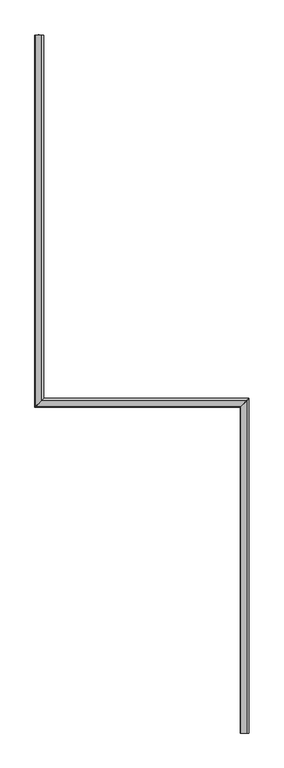
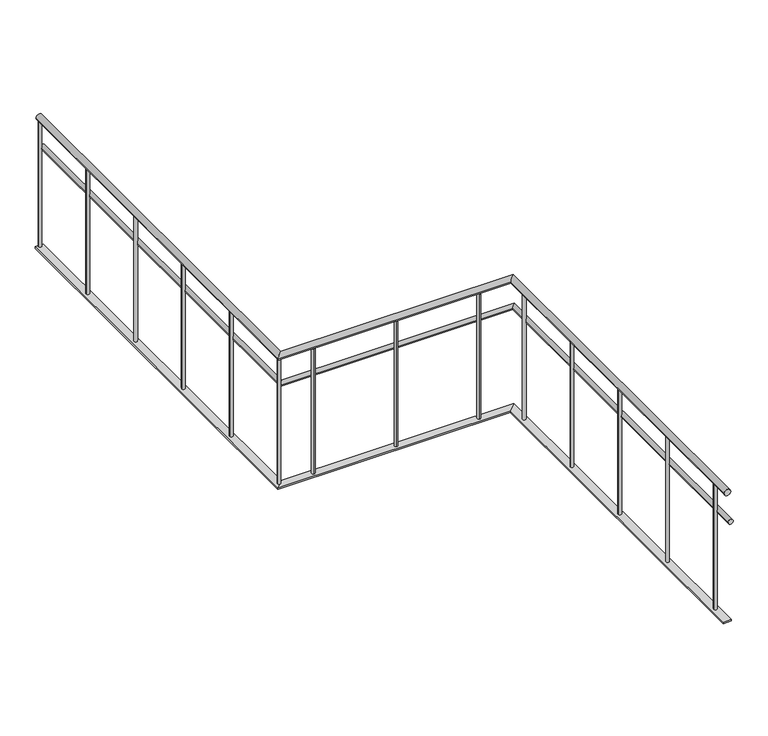
"""IFC4 building model written with IfcOpenShell, lengths in millimetres: railing geometry."""

from ifc_helpers import new_model, si_unit, point, frame, frame_2d, origin, place, context, project, spatial, circle_curve, ellipse_curve, trimmed, segment, composite_curve, outline, extrude, faceted_brep, source, transform, mapped, element, save
from ifc_brep_helpers import plane_surface, cylinder_surface, advanced_brep


def railing_81b5f3bf(model_context):
    return source(origin(), model_context, "Body", "SolidModel", [
        advanced_brep(
        [(48191.0163347, 5668.1079487, 880.0), (48231.0163347, 5668.1079487, 880.0), (48231.0163347, 3173.1270954, 880.0), (48191.0163347, 3133.1270954, 880.0), (49635.0112841, 3173.1270954, 880.0), (49595.0112841, 3133.1270954, 880.0), (49595.0112841, 903.1079487, 880.0), (49635.0112841, 903.1079487, 880.0)],
        [
            (0, 1, circle_curve(frame((48211.0163347, 5668.1079487, 880.0), z_axis=(0.0, 1.0, 0.0), x_axis=(1.0, 0.0, 0.0)), 20.0)),
            (1, 0, circle_curve(frame((48211.0163347, 5668.1079487, 880.0), z_axis=(0.0, 1.0, 0.0), x_axis=(1.0, 0.0, 0.0)), 20.0)),
            (1, 2),
            (2, 3, ellipse_curve(frame((48211.0163347, 3153.1270954, 880.0), z_axis=(-0.7071067811865462, 0.7071067811865487, 0.0), x_axis=(0.7071067811865486, 0.7071067811865464, 0.0)), 28.2842712, 20.0)),
            (3, 0),
            (3, 2, ellipse_curve(frame((48211.0163347, 3153.1270954, 880.0), z_axis=(-0.7071067811865462, 0.7071067811865487, 0.0), x_axis=(0.7071067811865486, 0.7071067811865464, 0.0)), 28.2842712, 20.0)),
            (2, 4),
            (4, 5, ellipse_curve(frame((49615.0112841, 3153.1270954, 880.0), z_axis=(-0.7071067811865488, 0.7071067811865462, 0.0), x_axis=(-0.7071067811865462, -0.7071067811865488, 0.0)), 28.2842712, 20.0)),
            (5, 3),
            (5, 4, ellipse_curve(frame((49615.0112841, 3153.1270954, 880.0), z_axis=(-0.7071067811865488, 0.7071067811865462, 0.0), x_axis=(-0.7071067811865462, -0.7071067811865488, 0.0)), 28.2842712, 20.0)),
            (6, 7, circle_curve(frame((49615.0112841, 903.1079487, 880.0), z_axis=(0.0, -1.0, 0.0), x_axis=(1.0, 0.0, 0.0)), 20.0)),
            (7, 6, circle_curve(frame((49615.0112841, 903.1079487, 880.0), z_axis=(0.0, -1.0, 0.0), x_axis=(1.0, 0.0, 0.0)), 20.0)),
            (4, 7),
            (6, 5),
        ],
        [
            plane_surface(frame((48211.0163347, 5668.1079487, 900.0), z_axis=(0.0, 1.0, 0.0), x_axis=(0.0, 0.0, -1.0))),
            cylinder_surface(frame((48211.0163347, 5668.1079487, 880.0), z_axis=(0.0, 1.0, 0.0), x_axis=(1.0, 0.0, 0.0)), 20.0),
            cylinder_surface(frame((48211.0163347, 3153.1270954, 880.0), z_axis=(-1.0, 0.0, 0.0), x_axis=(0.0, 1.0, 0.0)), 20.0),
            plane_surface(frame((49615.0112841, 903.1079487, 900.0), z_axis=(0.0, -1.0, 0.0), x_axis=(0.0, 0.0, -1.0))),
            cylinder_surface(frame((49615.0112841, 3153.1270954, 880.0), z_axis=(0.0, 1.0, 0.0), x_axis=(1.0, 0.0, 0.0)), 20.0),
        ],
        [
            (0, [[1, 2]]),
            (1, [[-2, 3, 4, 5]]),
            (1, [[-1, -5, 6, -3]]),
            (2, [[-4, 7, 8, 9]]),
            (2, [[-6, -9, 10, -7]]),
            (3, [[11, 12]]),
            (4, [[-8, 13, -11, 14]]),
            (4, [[-10, -14, -12, -13]]),
        ],
    ),
        advanced_brep(
        [(48216.0163347, 5668.1079487, 685.0), (48246.0163347, 5668.1079487, 685.0), (48246.0163347, 3188.1270954, 685.0), (48216.0163347, 3158.1270954, 685.0), (49650.0112841, 3188.1270954, 685.0), (49620.0112841, 3158.1270954, 685.0), (49620.0112841, 903.1079487, 685.0), (49650.0112841, 903.1079487, 685.0)],
        [
            (0, 1, circle_curve(frame((48231.0163347, 5668.1079487, 685.0), z_axis=(0.0, 1.0, 0.0), x_axis=(1.0, 0.0, 0.0)), 15.0)),
            (1, 0, circle_curve(frame((48231.0163347, 5668.1079487, 685.0), z_axis=(0.0, 1.0, 0.0), x_axis=(1.0, 0.0, 0.0)), 15.0)),
            (1, 2),
            (2, 3, ellipse_curve(frame((48231.0163347, 3173.1270954, 685.0), z_axis=(-0.7071067811865462, 0.7071067811865487, 0.0), x_axis=(0.7071067811865486, 0.7071067811865464, 0.0)), 21.2132034, 15.0)),
            (3, 0),
            (3, 2, ellipse_curve(frame((48231.0163347, 3173.1270954, 685.0), z_axis=(-0.7071067811865462, 0.7071067811865487, 0.0), x_axis=(0.7071067811865486, 0.7071067811865464, 0.0)), 21.2132034, 15.0)),
            (2, 4),
            (4, 5, ellipse_curve(frame((49635.0112841, 3173.1270954, 685.0), z_axis=(-0.7071067811865488, 0.7071067811865462, 0.0), x_axis=(-0.7071067811865462, -0.7071067811865488, 0.0)), 21.2132034, 15.0)),
            (5, 3),
            (5, 4, ellipse_curve(frame((49635.0112841, 3173.1270954, 685.0), z_axis=(-0.7071067811865488, 0.7071067811865462, 0.0), x_axis=(-0.7071067811865462, -0.7071067811865488, 0.0)), 21.2132034, 15.0)),
            (6, 7, circle_curve(frame((49635.0112841, 903.1079487, 685.0), z_axis=(0.0, -1.0, 0.0), x_axis=(1.0, 0.0, 0.0)), 15.0)),
            (7, 6, circle_curve(frame((49635.0112841, 903.1079487, 685.0), z_axis=(0.0, -1.0, 0.0), x_axis=(1.0, 0.0, 0.0)), 15.0)),
            (4, 7),
            (6, 5),
        ],
        [
            plane_surface(frame((48231.0163347, 5668.1079487, 700.0), z_axis=(0.0, 1.0, 0.0), x_axis=(0.0, 0.0, -1.0))),
            cylinder_surface(frame((48231.0163347, 5668.1079487, 685.0), z_axis=(0.0, 1.0, 0.0), x_axis=(1.0, 0.0, 0.0)), 15.0),
            cylinder_surface(frame((48231.0163347, 3173.1270954, 685.0), z_axis=(-1.0, 0.0, 0.0), x_axis=(0.0, 1.0, 0.0)), 15.0),
            plane_surface(frame((49635.0112841, 903.1079487, 700.0), z_axis=(0.0, -1.0, 0.0), x_axis=(0.0, 0.0, -1.0))),
            cylinder_surface(frame((49635.0112841, 3173.1270954, 685.0), z_axis=(0.0, 1.0, 0.0), x_axis=(1.0, 0.0, 0.0)), 15.0),
        ],
        [
            (0, [[1, 2]]),
            (1, [[-2, 3, 4, 5]]),
            (1, [[-1, -5, 6, -3]]),
            (2, [[-4, 7, 8, 9]]),
            (2, [[-6, -9, 10, -7]]),
            (3, [[11, 12]]),
            (4, [[-8, 13, -11, 14]]),
            (4, [[-10, -14, -12, -13]]),
        ],
    ),
        faceted_brep([(48236.0163347, 5668.1079487, 60.0), (48236.0163347, 5668.1079487, 50.0), (48186.0163347, 5668.1079487, 50.0), (48186.0163347, 5668.1079487, 60.0), (48186.0163347, 3128.1270954, 60.0), (48236.0163347, 3178.1270954, 60.0), (48186.0163347, 3128.1270954, 50.0), (48236.0163347, 3178.1270954, 50.0), (49590.0112841, 3128.1270954, 60.0), (49640.0112841, 3178.1270954, 60.0), (49590.0112841, 3128.1270954, 50.0), (49640.0112841, 3178.1270954, 50.0), (49640.0112841, 903.1079487, 60.0), (49590.0112841, 903.1079487, 60.0), (49590.0112841, 903.1079487, 50.0), (49640.0112841, 903.1079487, 50.0)], [[[0, 1, 2, 3]], [[0, 3, 4, 5]], [[3, 2, 6, 4]], [[2, 1, 7, 6]], [[1, 0, 5, 7]], [[5, 4, 8, 9]], [[4, 6, 10, 8]], [[6, 7, 11, 10]], [[7, 5, 9, 11]], [[12, 13, 14, 15]], [[9, 8, 13, 12]], [[8, 10, 14, 13]], [[10, 11, 15, 14]], [[11, 9, 12, 15]]]),
        extrude(outline(composite_curve([segment(trimmed(circle_curve(frame_2d((49615.0112841, 1028.117522)), 10.0), [point((49605.0112841, 1028.117522))], [point((49625.0112841, 1028.117522))], False, "CARTESIAN"), True, "CONTINUOUS"), segment(trimmed(circle_curve(frame_2d((49615.0112841, 1028.117522)), 10.0), [point((49625.0112841, 1028.117522))], [point((49605.0112841, 1028.117522))], False, "CARTESIAN"), True, "CONTINUOUS")], self_intersect=False)), frame((0.0, 0.0, 60.0), z_axis=(0.0, 0.0, 1.0), x_axis=(1.0, 0.0, 0.0)), (0.0, 0.0, 1.0), 800.0),
        extrude(outline(composite_curve([segment(trimmed(circle_curve(frame_2d((49615.0112841, 1528.117522)), 10.0), [point((49605.0112841, 1528.117522))], [point((49625.0112841, 1528.117522))], False, "CARTESIAN"), True, "CONTINUOUS"), segment(trimmed(circle_curve(frame_2d((49615.0112841, 1528.117522)), 10.0), [point((49625.0112841, 1528.117522))], [point((49605.0112841, 1528.117522))], False, "CARTESIAN"), True, "CONTINUOUS")], self_intersect=False)), frame((0.0, 0.0, 60.0), z_axis=(0.0, 0.0, 1.0), x_axis=(1.0, 0.0, 0.0)), (0.0, 0.0, 1.0), 800.0),
        extrude(outline(composite_curve([segment(trimmed(circle_curve(frame_2d((49615.0112841, 2028.117522)), 10.0), [point((49605.0112841, 2028.117522))], [point((49625.0112841, 2028.117522))], False, "CARTESIAN"), True, "CONTINUOUS"), segment(trimmed(circle_curve(frame_2d((49615.0112841, 2028.117522)), 10.0), [point((49625.0112841, 2028.117522))], [point((49605.0112841, 2028.117522))], False, "CARTESIAN"), True, "CONTINUOUS")], self_intersect=False)), frame((0.0, 0.0, 60.0), z_axis=(0.0, 0.0, 1.0), x_axis=(1.0, 0.0, 0.0)), (0.0, 0.0, 1.0), 800.0),
        extrude(outline(composite_curve([segment(trimmed(circle_curve(frame_2d((49615.0112841, 2528.117522)), 10.0), [point((49605.0112841, 2528.117522))], [point((49625.0112841, 2528.117522))], False, "CARTESIAN"), True, "CONTINUOUS"), segment(trimmed(circle_curve(frame_2d((49615.0112841, 2528.117522)), 10.0), [point((49625.0112841, 2528.117522))], [point((49605.0112841, 2528.117522))], False, "CARTESIAN"), True, "CONTINUOUS")], self_intersect=False)), frame((0.0, 0.0, 60.0), z_axis=(0.0, 0.0, 1.0), x_axis=(1.0, 0.0, 0.0)), (0.0, 0.0, 1.0), 800.0),
        extrude(outline(composite_curve([segment(trimmed(circle_curve(frame_2d((49615.0112841, 3028.117522)), 10.0), [point((49605.0112841, 3028.117522))], [point((49625.0112841, 3028.117522))], False, "CARTESIAN"), True, "CONTINUOUS"), segment(trimmed(circle_curve(frame_2d((49615.0112841, 3028.117522)), 10.0), [point((49625.0112841, 3028.117522))], [point((49605.0112841, 3028.117522))], False, "CARTESIAN"), True, "CONTINUOUS")], self_intersect=False)), frame((0.0, 0.0, 60.0), z_axis=(0.0, 0.0, 1.0), x_axis=(1.0, 0.0, 0.0)), (0.0, 0.0, 1.0), 800.0),
        extrude(outline(composite_curve([segment(trimmed(circle_curve(frame_2d((49413.0138094, 3153.1270954)), 10.0), [point((49413.0138094, 3143.1270954))], [point((49413.0138094, 3163.1270954))], False, "CARTESIAN"), True, "CONTINUOUS"), segment(trimmed(circle_curve(frame_2d((49413.0138094, 3153.1270954)), 10.0), [point((49413.0138094, 3163.1270954))], [point((49413.0138094, 3143.1270954))], False, "CARTESIAN"), True, "CONTINUOUS")], self_intersect=False)), frame((0.0, 0.0, 60.0), z_axis=(0.0, 0.0, 1.0), x_axis=(1.0, 0.0, 0.0)), (0.0, 0.0, 1.0), 800.0),
        extrude(outline(composite_curve([segment(trimmed(circle_curve(frame_2d((48913.0138094, 3153.1270954)), 10.0), [point((48913.0138094, 3143.1270954))], [point((48913.0138094, 3163.1270954))], False, "CARTESIAN"), True, "CONTINUOUS"), segment(trimmed(circle_curve(frame_2d((48913.0138094, 3153.1270954)), 10.0), [point((48913.0138094, 3163.1270954))], [point((48913.0138094, 3143.1270954))], False, "CARTESIAN"), True, "CONTINUOUS")], self_intersect=False)), frame((0.0, 0.0, 60.0), z_axis=(0.0, 0.0, 1.0), x_axis=(1.0, 0.0, 0.0)), (0.0, 0.0, 1.0), 800.0),
        extrude(outline(composite_curve([segment(trimmed(circle_curve(frame_2d((48413.0138094, 3153.1270954)), 10.0), [point((48413.0138094, 3143.1270954))], [point((48413.0138094, 3163.1270954))], False, "CARTESIAN"), True, "CONTINUOUS"), segment(trimmed(circle_curve(frame_2d((48413.0138094, 3153.1270954)), 10.0), [point((48413.0138094, 3163.1270954))], [point((48413.0138094, 3143.1270954))], False, "CARTESIAN"), True, "CONTINUOUS")], self_intersect=False)), frame((0.0, 0.0, 60.0), z_axis=(0.0, 0.0, 1.0), x_axis=(1.0, 0.0, 0.0)), (0.0, 0.0, 1.0), 800.0),
        extrude(outline(composite_curve([segment(trimmed(circle_curve(frame_2d((48211.0163347, 3160.617522)), 10.0), [point((48201.0163347, 3160.617522))], [point((48221.0163347, 3160.617522))], False, "CARTESIAN"), True, "CONTINUOUS"), segment(trimmed(circle_curve(frame_2d((48211.0163347, 3160.617522)), 10.0), [point((48221.0163347, 3160.617522))], [point((48201.0163347, 3160.617522))], False, "CARTESIAN"), True, "CONTINUOUS")], self_intersect=False)), frame((0.0, 0.0, 60.0), z_axis=(0.0, 0.0, 1.0), x_axis=(1.0, 0.0, 0.0)), (0.0, 0.0, 1.0), 800.0),
        extrude(outline(composite_curve([segment(trimmed(circle_curve(frame_2d((48211.0163347, 3660.617522)), 10.0), [point((48201.0163347, 3660.617522))], [point((48221.0163347, 3660.617522))], False, "CARTESIAN"), True, "CONTINUOUS"), segment(trimmed(circle_curve(frame_2d((48211.0163347, 3660.617522)), 10.0), [point((48221.0163347, 3660.617522))], [point((48201.0163347, 3660.617522))], False, "CARTESIAN"), True, "CONTINUOUS")], self_intersect=False)), frame((0.0, 0.0, 60.0), z_axis=(0.0, 0.0, 1.0), x_axis=(1.0, 0.0, 0.0)), (0.0, 0.0, 1.0), 800.0),
        extrude(outline(composite_curve([segment(trimmed(circle_curve(frame_2d((48211.0163347, 4160.617522)), 10.0), [point((48201.0163347, 4160.617522))], [point((48221.0163347, 4160.617522))], False, "CARTESIAN"), True, "CONTINUOUS"), segment(trimmed(circle_curve(frame_2d((48211.0163347, 4160.617522)), 10.0), [point((48221.0163347, 4160.617522))], [point((48201.0163347, 4160.617522))], False, "CARTESIAN"), True, "CONTINUOUS")], self_intersect=False)), frame((0.0, 0.0, 60.0), z_axis=(0.0, 0.0, 1.0), x_axis=(1.0, 0.0, 0.0)), (0.0, 0.0, 1.0), 800.0),
        extrude(outline(composite_curve([segment(trimmed(circle_curve(frame_2d((48211.0163347, 4660.617522)), 10.0), [point((48201.0163347, 4660.617522))], [point((48221.0163347, 4660.617522))], False, "CARTESIAN"), True, "CONTINUOUS"), segment(trimmed(circle_curve(frame_2d((48211.0163347, 4660.617522)), 10.0), [point((48221.0163347, 4660.617522))], [point((48201.0163347, 4660.617522))], False, "CARTESIAN"), True, "CONTINUOUS")], self_intersect=False)), frame((0.0, 0.0, 60.0), z_axis=(0.0, 0.0, 1.0), x_axis=(1.0, 0.0, 0.0)), (0.0, 0.0, 1.0), 800.0),
        extrude(outline(composite_curve([segment(trimmed(circle_curve(frame_2d((48211.0163347, 5160.617522)), 10.0), [point((48201.0163347, 5160.617522))], [point((48221.0163347, 5160.617522))], False, "CARTESIAN"), True, "CONTINUOUS"), segment(trimmed(circle_curve(frame_2d((48211.0163347, 5160.617522)), 10.0), [point((48221.0163347, 5160.617522))], [point((48201.0163347, 5160.617522))], False, "CARTESIAN"), True, "CONTINUOUS")], self_intersect=False)), frame((0.0, 0.0, 60.0), z_axis=(0.0, 0.0, 1.0), x_axis=(1.0, 0.0, 0.0)), (0.0, 0.0, 1.0), 800.0),
        extrude(outline(composite_curve([segment(trimmed(circle_curve(frame_2d((48211.0163347, 5660.617522)), 10.0), [point((48201.0163347, 5660.617522))], [point((48221.0163347, 5660.617522))], False, "CARTESIAN"), True, "CONTINUOUS"), segment(trimmed(circle_curve(frame_2d((48211.0163347, 5660.617522)), 10.0), [point((48221.0163347, 5660.617522))], [point((48201.0163347, 5660.617522))], False, "CARTESIAN"), True, "CONTINUOUS")], self_intersect=False)), frame((0.0, 0.0, 60.0), z_axis=(0.0, 0.0, 1.0), x_axis=(1.0, 0.0, 0.0)), (0.0, 0.0, 1.0), 800.0),
    ])


if __name__ == "__main__":
    model = new_model("IFC4")
    model_context = context("Model", 3, world=origin())
    ifc_project = project(units=[si_unit("LENGTHUNIT", "METRE", prefix="MILLI")], contexts=[model_context])
    site = spatial("IfcSite", under=ifc_project)
    building = spatial("IfcBuilding", under=site)
    placement = place(None, origin())
    railing_shape = railing_81b5f3bf(model_context)
    element("IfcRailing", 1, at=placement, inside=building, context=model_context, shape_type="MappedRepresentation", body=[
        mapped(railing_shape, transform((0.0, 0.0, 0.0), x_axis=(1.0, 0.0, 0.0), y_axis=(0.0, 1.0, 0.0), z_axis=(0.0, 0.0, 1.0))),
    ])
    save(model, "model.ifc")
